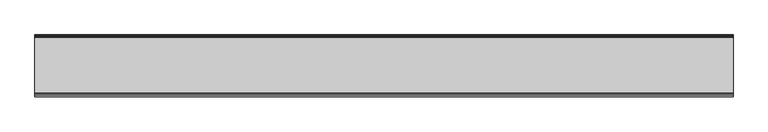
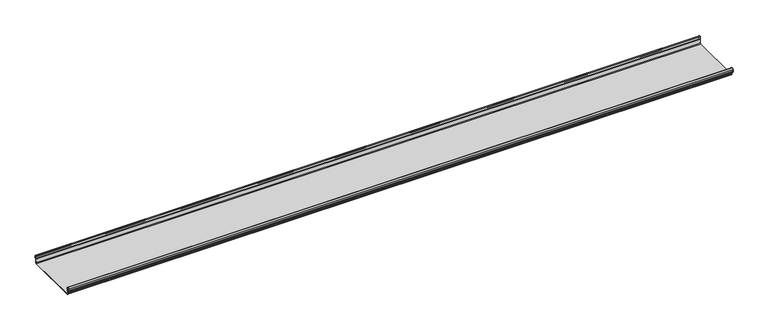
"""IFC4 building model written with IfcOpenShell, lengths in millimetres: beam geometry."""

from ifc_helpers import new_model, si_unit, frame, origin, place, context, project, spatial, polyline, circle_curve, source, transform, mapped, element, save
from ifc_brep_helpers import plane_surface, cylinder_surface, revolved_surface, advanced_brep


def beam_677cdd94(model_context):
    return source(origin(), model_context, "Body", "AdvancedBrep", [
        advanced_brep(
        [(2004.5060487, 174.5298471, 17.4730576), (2004.5060487, 169.9958217, 21.2486363), (2004.5060487, 165.4890072, 17.6093124), (2004.5060487, 163.0420077, 6.2503755), (2004.5060487, 164.7006671, 3.7959761), (2004.5060487, 165.8698319, 2.0849359), (2004.5060487, 164.3793103, -21.3247551), (2004.5060487, 160.6848586, -24.7896475), (2004.5060487, -159.5640942, -24.7896475), (2004.5060487, -163.2568715, -21.3207217), (2004.5060487, -164.7263748, 2.1632779), (2004.5060487, -164.0984471, 3.0966958), (2004.5060487, -161.8868093, 6.1624874), (2004.5060487, -162.770348, 17.3389905), (2004.5060487, -170.0, 24.0196704), (2004.5060487, -177.229652, 17.3389905), (2004.5060487, -178.1131907, 6.1624874), (2004.5060487, -175.9015529, 3.0966958), (2004.5060487, -175.2736252, 2.1632779), (2004.5060487, -175.6653397, -4.0966758), (2004.5060487, -174.6633838, -4.0966758), (2004.5060487, -174.255975, 2.4140875), (2004.5060487, -175.661391, 4.0675496), (2004.5060487, -177.1158116, 6.08368), (2004.5060487, -176.2261211, 17.3379999), (2004.5060487, -170.0, 23.0196704), (2004.5060487, -163.767144, 17.2589936), (2004.5060487, -162.8795452, 6.0037927), (2004.5060487, -164.338609, 4.0675496), (2004.5060487, -165.744025, 2.4140875), (2004.5060487, -164.2549195, -21.3831743), (2004.5060487, -159.5640942, -25.7896475), (2004.5060487, 160.6846135, -25.7896475), (2004.5060487, 165.3772895, -21.3882975), (2004.5060487, 166.868024, 2.0247376), (2004.5060487, 164.9644432, 4.7613501), (2004.5060487, 164.0277999, 6.0779003), (2004.5060487, 166.4434849, 17.2822335), (2004.5060487, 170.0063307, 20.2496221), (2004.5060487, 173.4803249, 17.6539317), (2004.5060487, 175.5075757, 6.5459412), (2004.5060487, 176.5074356, 6.7299959), (-2004.5060487, 174.5298471, 17.4730576), (-2004.5060487, 176.5074356, 6.7299959), (-2004.5060487, 175.5075757, 6.5459412), (-2004.5060487, 173.4803249, 17.6539317), (-2004.5060487, 170.0063307, 20.2496221), (-2004.5060487, 166.4434849, 17.2822335), (-2004.5060487, 164.0277999, 6.0779003), (-2004.5060487, 164.9644432, 4.7613501), (-2004.5060487, 166.868024, 2.0247376), (-2004.5060487, 165.3772895, -21.3882975), (-2004.5060487, 160.6846135, -25.7896475), (-2004.5060487, -159.5640942, -25.7896475), (-2004.5060487, -164.2549195, -21.3831743), (-2004.5060487, -165.744025, 2.4140875), (-2004.5060487, -164.338609, 4.0675496), (-2004.5060487, -162.8795452, 6.0037927), (-2004.5060487, -163.767144, 17.2589936), (-2004.5060487, -170.0, 23.0196704), (-2004.5060487, -176.2261211, 17.3379999), (-2004.5060487, -177.1158116, 6.08368), (-2004.5060487, -175.661391, 4.0675496), (-2004.5060487, -174.255975, 2.4140875), (-2004.5060487, -174.6633838, -4.0966758), (-2004.5060487, -175.6653397, -4.0966758), (-2004.5060487, -175.2736252, 2.1632779), (-2004.5060487, -175.9015529, 3.0966958), (-2004.5060487, -178.1066021, 6.2458324), (-2004.5060487, -177.229652, 17.3389905), (-2004.5060487, -170.0, 24.0196704), (-2004.5060487, -162.770348, 17.3389905), (-2004.5060487, -161.8868093, 6.1624874), (-2004.5060487, -164.0984471, 3.0966958), (-2004.5060487, -164.7263748, 2.1632779), (-2004.5060487, -163.2568715, -21.3207217), (-2004.5060487, -159.5640942, -24.7896475), (-2004.5060487, 160.6848586, -24.7896475), (-2004.5060487, 164.3793103, -21.3247551), (-2004.5060487, 165.8698319, 2.0849359), (-2004.5060487, 164.7006671, 3.7959761), (-2004.5060487, 163.0420077, 6.2503755), (-2004.5060487, 165.4890072, 17.6093124), (-2004.5060487, 169.9958217, 21.2486363)],
        [
            (0, 1, circle_curve(frame((2004.5060487, 169.9958217, 16.6384317), z_axis=(1.0, 0.0, 0.0), x_axis=(0.0, 1.0, 0.0)), 4.6102046)),
            (1, 2, circle_curve(frame((2004.5060487, 169.9958217, 16.6384317), z_axis=(1.0, 0.0, 0.0), x_axis=(0.0, 0.2105938444020083, 0.9775736456656259)), 4.6102046)),
            (2, 3),
            (3, 4, circle_curve(frame((2004.5060487, 165.4262002, 6.073937), z_axis=(1.0, 0.0, 0.0), x_axis=(0.0, -0.9528378408797884, 0.30347989881958104)), 2.3907121)),
            (4, 5, circle_curve(frame((2004.5060487, 164.1897695, 2.1919074), z_axis=(-1.0, 0.0, 0.0), x_axis=(0.0, 0.06354246328302078, 0.9979791357337717)), 1.6834645)),
            (5, 6),
            (6, 7, circle_curve(frame((2004.5060487, 160.6867875, -21.089648), z_axis=(-1.0, 0.0, 0.0), x_axis=(0.0, 0.9999998641088232, -0.0005213274739325337)), 3.7)),
            (7, 8),
            (8, 9, circle_curve(frame((2004.5060487, -159.5640942, -21.0896475), z_axis=(-1.0, 0.0, 0.0), x_axis=(0.0, 0.062452508687223206, -0.9980479368039755)), 3.7)),
            (9, 10),
            (10, 11, circle_curve(frame((2004.5060487, -163.8044049, 2.2209698), z_axis=(-1.0, 0.0, 0.0), x_axis=(0.0, -0.9479881328261025, -0.31830567073314897)), 0.9237732)),
            (11, 12, circle_curve(frame((2004.5060487, -164.7984694, 5.9323112), z_axis=(1.0, 0.0, 0.0), x_axis=(0.0, 0.07880737243916666, -0.9968898625471294)), 2.9207441)),
            (12, 13),
            (13, 14, circle_curve(frame((2004.5060487, -170.0, 16.7674631), z_axis=(1.0, 0.0, 0.0), x_axis=(0.0, 1.0, 0.0)), 7.2522073)),
            (14, 15, circle_curve(frame((2004.5060487, -170.0, 16.7674631), z_axis=(1.0, 0.0, 0.0), x_axis=(0.0, 0.07880737243912425, 0.9968898625471327)), 7.2522073)),
            (15, 16),
            (16, 17, circle_curve(frame((2004.5060487, -175.2001089, 5.9344165), z_axis=(1.0, 0.0, 0.0), x_axis=(0.0, -0.9707819351134729, 0.2399634023290655)), 2.9231288)),
            (17, 18, circle_curve(frame((2004.5060487, -176.1025472, 2.2835649), z_axis=(-1.0, 0.0, 0.0), x_axis=(0.0, 0.14360843272178178, 0.9896345881441257)), 0.8376041)),
            (18, 19),
            (19, 20, circle_curve(frame((2004.5060487, -175.1643617, -4.0966758), z_axis=(1.0, 0.0, 0.0), x_axis=(0.0, 0.0, -1.0)), 0.5009779)),
            (20, 21),
            (21, 22, circle_curve(frame((2004.5060487, -176.1062911, 2.2653702), z_axis=(1.0, 0.0, 0.0), x_axis=(0.0, 0.9708537722163966, -0.23967259537375799)), 1.856283)),
            (22, 23, circle_curve(frame((2004.5060487, -175.2010412, 5.9323112), z_axis=(-1.0, 0.0, 0.0), x_axis=(0.0, -0.07880737243914376, -0.9968898625471312)), 1.9207441)),
            (23, 24),
            (24, 25, circle_curve(frame((2004.5060487, -170.0770494, 16.8518958), z_axis=(-1.0, 0.0, 0.0), x_axis=(0.0, -0.9999219808421378, 0.012491286112139365)), 6.1682558)),
            (25, 26, circle_curve(frame((2004.5060487, -170.0791743, 16.6817991), z_axis=(-1.0, 0.0, 0.0), x_axis=(0.0, -0.09106361391821856, 0.9958450774192508)), 6.3383658)),
            (26, 27),
            (27, 28, circle_curve(frame((2004.5060487, -164.70299, 5.8599936), z_axis=(-1.0, 0.0, 0.0), x_axis=(0.0, 0.9799562955839813, 0.19921259685401593)), 1.8291061)),
            (28, 29, circle_curve(frame((2004.5060487, -163.9886548, 2.3460727), z_axis=(1.0, 0.0, 0.0), x_axis=(0.0, 0.03871763325448635, 0.9992501913310655)), 1.7566874)),
            (29, 30),
            (30, 31, circle_curve(frame((2004.5060487, -159.5640942, -21.0896475), z_axis=(1.0, 0.0, 0.0), x_axis=(0.0, -1.0, 0.0)), 4.7)),
            (31, 32),
            (32, 33, circle_curve(frame((2004.5060487, 160.6846135, -21.0873301), z_axis=(1.0, 0.0, 0.0), x_axis=(0.0, -0.06400407594283139, -0.997949637137418)), 4.7023174)),
            (33, 34),
            (34, 35, circle_curve(frame((2004.5060487, 164.1939121, 2.1950013), z_axis=(1.0, 0.0, 0.0), x_axis=(0.0, 0.9577619201002135, -0.2875623487279797)), 2.6795268)),
            (35, 36, circle_curve(frame((2004.5060487, 165.0972859, 5.8473161), z_axis=(-1.0, 0.0, 0.0), x_axis=(0.0, -0.210759855052358, -0.9775378680635902)), 1.094061)),
            (36, 37),
            (37, 38, circle_curve(frame((2004.5060487, 170.0063307, 16.627032), z_axis=(-1.0, 0.0, 0.0), x_axis=(0.0, -1.0, 0.0)), 3.6225901)),
            (38, 39, circle_curve(frame((2004.5060487, 170.0063307, 16.627032), z_axis=(-1.0, 0.0, 0.0), x_axis=(0.0, -0.2834711363957483, 0.9589807687490417)), 3.6225901)),
            (39, 40),
            (40, 41, circle_curve(frame((2004.5060487, 176.0075057, 6.6379685), z_axis=(1.0, 0.0, 0.0), x_axis=(0.0, 0.18103878268247353, -0.9834759575937014)), 0.5083296)),
            (41, 0),
            (42, 43),
            (43, 44, circle_curve(frame((-2004.5060487, 176.0075057, 6.6379685), z_axis=(-1.0, 0.0, 0.0), x_axis=(0.0, 0.18103878268247353, -0.9834759575937014)), 0.5083296)),
            (44, 45),
            (45, 46, circle_curve(frame((-2004.5060487, 170.0063307, 16.627032), z_axis=(1.0, 0.0, 0.0), x_axis=(0.0, -0.2834711363957483, 0.9589807687490417)), 3.6225901)),
            (46, 47, circle_curve(frame((-2004.5060487, 170.0063307, 16.627032), z_axis=(1.0, 0.0, 0.0), x_axis=(0.0, -1.0, 0.0)), 3.6225901)),
            (47, 48),
            (48, 49, circle_curve(frame((-2004.5060487, 165.0972859, 5.8473161), z_axis=(1.0, 0.0, 0.0), x_axis=(0.0, -0.210759855052358, -0.9775378680635902)), 1.094061)),
            (49, 50, circle_curve(frame((-2004.5060487, 164.1939121, 2.1950013), z_axis=(-1.0, 0.0, 0.0), x_axis=(0.0, 0.9577619201002135, -0.2875623487279797)), 2.6795268)),
            (50, 51),
            (51, 52, circle_curve(frame((-2004.5060487, 160.6846135, -21.0873301), z_axis=(-1.0, 0.0, 0.0), x_axis=(0.0, -0.06400407594283139, -0.997949637137418)), 4.7023174)),
            (52, 53),
            (53, 54, circle_curve(frame((-2004.5060487, -159.5640942, -21.0896475), z_axis=(-1.0, 0.0, 0.0), x_axis=(0.0, -1.0, 0.0)), 4.7)),
            (54, 55),
            (55, 56, circle_curve(frame((-2004.5060487, -163.9886548, 2.3460727), z_axis=(-1.0, 0.0, 0.0), x_axis=(0.0, 0.03871763325448635, 0.9992501913310655)), 1.7566874)),
            (56, 57, circle_curve(frame((-2004.5060487, -164.70299, 5.8599936), z_axis=(1.0, 0.0, 0.0), x_axis=(0.0, 0.9799562955839813, 0.19921259685401593)), 1.8291061)),
            (57, 58),
            (58, 59, circle_curve(frame((-2004.5060487, -170.0791743, 16.6817991), z_axis=(1.0, 0.0, 0.0), x_axis=(0.0, -0.09106361391821856, 0.9958450774192508)), 6.3383658)),
            (59, 60, circle_curve(frame((-2004.5060487, -170.0770494, 16.8518958), z_axis=(1.0, 0.0, 0.0), x_axis=(0.0, -0.9999219808421378, 0.012491286112139365)), 6.1682558)),
            (60, 61),
            (61, 62, circle_curve(frame((-2004.5060487, -175.2010412, 5.9323112), z_axis=(1.0, 0.0, 0.0), x_axis=(0.0, -0.07880737243914376, -0.9968898625471312)), 1.9207441)),
            (62, 63, circle_curve(frame((-2004.5060487, -176.1062911, 2.2653702), z_axis=(-1.0, 0.0, 0.0), x_axis=(0.0, 0.9708537722163966, -0.23967259537375799)), 1.856283)),
            (63, 64),
            (64, 65, circle_curve(frame((-2004.5060487, -175.1643617, -4.0966758), z_axis=(-1.0, 0.0, 0.0), x_axis=(0.0, 0.0, -1.0)), 0.5009779)),
            (65, 66),
            (66, 67, circle_curve(frame((-2004.5060487, -176.1025472, 2.2835649), z_axis=(1.0, 0.0, 0.0), x_axis=(0.0, 0.14360843272178178, 0.9896345881441257)), 0.8376041)),
            (67, 68, circle_curve(frame((-2004.5060487, -175.2001089, 5.9344165), z_axis=(-1.0, 0.0, 0.0), x_axis=(0.0, -0.9707819351134729, 0.2399634023290655)), 2.9231288)),
            (68, 69),
            (69, 70, circle_curve(frame((-2004.5060487, -170.0, 16.7674631), z_axis=(-1.0, 0.0, 0.0), x_axis=(0.0, 0.07880737243912425, 0.9968898625471327)), 7.2522073)),
            (70, 71, circle_curve(frame((-2004.5060487, -170.0, 16.7674631), z_axis=(-1.0, 0.0, 0.0), x_axis=(0.0, 1.0, 0.0)), 7.2522073)),
            (71, 72),
            (72, 73, circle_curve(frame((-2004.5060487, -164.7984694, 5.9323112), z_axis=(-1.0, 0.0, 0.0), x_axis=(0.0, 0.07880737243916666, -0.9968898625471294)), 2.9207441)),
            (73, 74, circle_curve(frame((-2004.5060487, -163.8044049, 2.2209698), z_axis=(1.0, 0.0, 0.0), x_axis=(0.0, -0.9479881328261025, -0.31830567073314897)), 0.9237732)),
            (74, 75),
            (75, 76, circle_curve(frame((-2004.5060487, -159.5640942, -21.0896475), z_axis=(1.0, 0.0, 0.0), x_axis=(0.0, 0.062452508687223206, -0.9980479368039755)), 3.7)),
            (76, 77),
            (77, 78, circle_curve(frame((-2004.5060487, 160.6867875, -21.089648), z_axis=(1.0, 0.0, 0.0), x_axis=(0.0, 0.9999998641088232, -0.0005213274739325337)), 3.7)),
            (78, 79),
            (79, 80, circle_curve(frame((-2004.5060487, 164.1897695, 2.1919074), z_axis=(1.0, 0.0, 0.0), x_axis=(0.0, 0.06354246328302078, 0.9979791357337717)), 1.6834645)),
            (80, 81, circle_curve(frame((-2004.5060487, 165.4262002, 6.073937), z_axis=(-1.0, 0.0, 0.0), x_axis=(0.0, -0.9528378408797884, 0.30347989881958104)), 2.3907121)),
            (81, 82),
            (82, 83, circle_curve(frame((-2004.5060487, 169.9958217, 16.6384317), z_axis=(-1.0, 0.0, 0.0), x_axis=(0.0, 0.2105938444020083, 0.9775736456656259)), 4.6102046)),
            (83, 42, circle_curve(frame((-2004.5060487, 169.9958217, 16.6384317), z_axis=(-1.0, 0.0, 0.0), x_axis=(0.0, 1.0, 0.0)), 4.6102046)),
            (42, 0),
            (41, 43),
            (40, 44),
            (39, 45),
            (38, 46),
            (37, 47),
            (36, 48),
            (35, 49),
            (34, 50),
            (33, 51),
            (32, 52),
            (31, 53),
            (30, 54),
            (29, 55),
            (28, 56),
            (27, 57),
            (26, 58),
            (25, 59),
            (24, 60),
            (23, 61),
            (22, 62),
            (21, 63),
            (20, 64),
            (19, 65),
            (18, 66),
            (17, 67),
            (16, 68),
            (15, 69),
            (14, 70),
            (13, 71),
            (12, 72),
            (11, 73),
            (10, 74),
            (9, 75),
            (8, 76),
            (7, 77),
            (6, 78),
            (5, 79),
            (4, 80),
            (3, 81),
            (2, 82),
            (1, 83),
        ],
        [
            plane_surface(frame((2004.5060487, 176.5074356, 6.7299959), z_axis=(1.0000000000000002, 0.0, 0.0), x_axis=(0.0, -0.18103878268248824, 0.9834759575936989))),
            plane_surface(frame((-2004.5060487, 176.5074356, 6.7299959), z_axis=(-1.0000000000000002, 0.0, 0.0), x_axis=(0.0, 0.18103878268248824, -0.9834759575936989))),
            plane_surface(frame((2004.5060487, 175.5186413, 12.1015267), z_axis=(0.0, 0.9834759575937931, 0.18103878268197598), x_axis=(0.0, 0.18103878268197598, -0.9834759575937931))),
            cylinder_surface(frame((2004.5060487, 176.0075057, 6.6379685), z_axis=(-1.0, 0.0, 0.0), x_axis=(0.0, 0.18103878268247353, -0.9834759575937014)), 0.5083296),
            plane_surface(frame((2004.5060487, 174.4939503, 12.0999365), z_axis=(0.0, -0.9837509798366516, -0.17953832368168063), x_axis=(0.0, -0.17953832368168063, 0.9837509798366516))),
            revolved_surface(polyline([(-2004.5060487, 168.979430967657, 20.101026238960667), (2004.5060487, 168.979430967657, 20.101026238960667)]), (2004.5060487, 170.0063307, 16.627032), (-1.0, 0.0, 0.0)),
            revolved_surface(polyline([(-2004.5060487, 166.3837406, 16.627032), (2004.5060487, 166.3837406, 16.627032)]), (2004.5060487, 170.0063307, 16.627032), (-1.0, 0.0, 0.0)),
            plane_surface(frame((2004.5060487, 165.2356424, 11.6800669), z_axis=(0.0, 0.9775378680634891, -0.2107598550528272), x_axis=(0.0, -0.2107598550528272, -0.9775378680634891))),
            revolved_surface(polyline([(-2004.5060487, 164.86670176222157, 4.77783004252848), (2004.5060487, 164.86670176222157, 4.77783004252848)]), (2004.5060487, 165.0972859, 5.8473161), (-1.0, 0.0, 0.0)),
            cylinder_surface(frame((2004.5060487, 164.1939121, 2.1950013), z_axis=(-1.0, 0.0, 0.0), x_axis=(0.0, 0.9577619201002135, -0.2875623487279797)), 2.6795268),
            plane_surface(frame((2004.5060487, 166.1226567, -9.68178), z_axis=(0.0, 0.9979791357337514, -0.06354246328334037), x_axis=(0.0, -0.06354246328334037, -0.9979791357337514))),
            cylinder_surface(frame((2004.5060487, 160.6846135, -21.0873301), z_axis=(-1.0, 0.0, 0.0), x_axis=(0.0, -0.06400407594283139, -0.997949637137418)), 4.7023174),
            plane_surface(frame((2004.5060487, 0.5602597, -25.7896475), z_axis=(0.0, 0.0, -1.0), x_axis=(0.0, -1.0, 0.0))),
            cylinder_surface(frame((2004.5060487, -159.5640942, -21.0896475), z_axis=(-1.0, 0.0, 0.0), x_axis=(0.0, -1.0, 0.0)), 4.7),
            plane_surface(frame((2004.5060487, -164.9994722, -9.4845434), z_axis=(0.0, -0.99804793680396, -0.06245250868747398), x_axis=(0.0, -0.06245250868747398, 0.99804793680396))),
            cylinder_surface(frame((2004.5060487, -163.9886548, 2.3460727), z_axis=(-1.0, 0.0, 0.0), x_axis=(0.0, 0.03871763325448635, 0.9992501913310655)), 1.7566874),
            revolved_surface(polyline([(-2004.5060487, -162.91054596201394, 6.224374576102521), (2004.5060487, -162.91054596201394, 6.224374576102521)]), (2004.5060487, -164.70299, 5.8599936), (-1.0, 0.0, 0.0)),
            plane_surface(frame((2004.5060487, -163.3233446, 11.6313931), z_axis=(0.0, -0.9969048840807634, -0.07861712342689589), x_axis=(0.0, -0.07861712342689589, 0.9969048840807634))),
            revolved_surface(polyline([(-2004.5060487, -170.65636879608365, 22.99382948081253), (2004.5060487, -170.65636879608365, 22.99382948081253)]), (2004.5060487, -170.0791743, 16.6817991), (-1.0, 0.0, 0.0)),
            revolved_surface(polyline([(-2004.5060487, -176.244823957877, 16.928945248010663), (2004.5060487, -176.244823957877, 16.928945248010663)]), (2004.5060487, -170.0770494, 16.8518958), (-1.0, 0.0, 0.0)),
            plane_surface(frame((2004.5060487, -176.6709664, 11.71084), z_axis=(0.0, 0.9968898625470921, -0.07880737243963815), x_axis=(0.0, -0.07880737243963815, -0.9968898625470921))),
            revolved_surface(polyline([(-2004.5060487, -175.35240999564897, 4.017540878162787), (2004.5060487, -175.35240999564897, 4.017540878162787)]), (2004.5060487, -175.2010412, 5.9323112), (-1.0, 0.0, 0.0)),
            cylinder_surface(frame((2004.5060487, -176.1062911, 2.2653702), z_axis=(-1.0, 0.0, 0.0), x_axis=(0.0, 0.9708537722163966, -0.23967259537375799)), 1.856283),
            plane_surface(frame((2004.5060487, -174.4596794, -0.8412941), z_axis=(0.0, 0.9980479368039222, -0.06245250868807452), x_axis=(0.0, -0.06245250868807452, -0.9980479368039222))),
            cylinder_surface(frame((2004.5060487, -175.1643617, -4.0966758), z_axis=(-1.0, 0.0, 0.0), x_axis=(0.0, 0.0, -1.0)), 0.5009779),
            plane_surface(frame((2004.5060487, -175.4694824, -0.9666989), z_axis=(0.0, -0.9980479368040358, 0.06245250868626084), x_axis=(0.0, 0.06245250868626084, 0.9980479368040358))),
            revolved_surface(polyline([(-2004.5060487, -175.98226018795768, 3.112486888531331), (2004.5060487, -175.98226018795768, 3.112486888531331)]), (2004.5060487, -176.1025472, 2.2835649), (-1.0, 0.0, 0.0)),
            cylinder_surface(frame((2004.5060487, -175.2001089, 5.9344165), z_axis=(-1.0, 0.0, 0.0), x_axis=(0.0, -0.9707819351134729, 0.2399634023290655)), 2.9231288),
            plane_surface(frame((2004.5060487, -177.6714214, 11.7507389), z_axis=(0.0, -0.9968898625471735, 0.07880737243860966), x_axis=(0.0, 0.07880737243860966, 0.9968898625471735))),
            cylinder_surface(frame((2004.5060487, -170.0, 16.7674631), z_axis=(-1.0, 0.0, 0.0), x_axis=(0.0, 0.07880737243912425, 0.9968898625471327)), 7.2522073),
            cylinder_surface(frame((2004.5060487, -170.0, 16.7674631), z_axis=(-1.0, 0.0, 0.0), x_axis=(0.0, 1.0, 0.0)), 7.2522073),
            plane_surface(frame((2004.5060487, -162.3285786, 11.7507389), z_axis=(0.0, 0.9968898625471712, 0.07880737243863836), x_axis=(0.0, 0.07880737243863836, -0.9968898625471712))),
            cylinder_surface(frame((2004.5060487, -164.7984694, 5.9323112), z_axis=(-1.0, 0.0, 0.0), x_axis=(0.0, 0.07880737243916666, -0.9968898625471294)), 2.9207441),
            revolved_surface(polyline([(-2004.5060487, -164.6801309310228, 1.9269275519686928), (2004.5060487, -164.6801309310228, 1.9269275519686928)]), (2004.5060487, -163.8044049, 2.2209698), (-1.0, 0.0, 0.0)),
            plane_surface(frame((2004.5060487, -163.9916232, -9.5787219), z_axis=(0.0, 0.9980479368039906, 0.0624525086869835), x_axis=(0.0, 0.0624525086869835, -0.9980479368039906))),
            revolved_surface(polyline([(-2004.5060487, -159.33301991785729, -24.78242486617471), (2004.5060487, -159.33301991785729, -24.78242486617471)]), (2004.5060487, -159.5640942, -21.0896475), (-1.0, 0.0, 0.0)),
            plane_surface(frame((2004.5060487, 0.5603822, -24.7896475), z_axis=(0.0, 0.0, 1.0), x_axis=(0.0, 1.0, 0.0))),
            revolved_surface(polyline([(-2004.5060487, 164.38678699720265, -21.09157691165355), (2004.5060487, 164.38678699720265, -21.09157691165355)]), (2004.5060487, 160.6867875, -21.089648), (-1.0, 0.0, 0.0)),
            plane_surface(frame((2004.5060487, 165.1245711, -9.6199096), z_axis=(0.0, -0.9979791357337828, 0.06354246328284598), x_axis=(0.0, 0.06354246328284598, 0.9979791357337828))),
            revolved_surface(polyline([(-2004.5060487, 164.29674098117954, 3.871969846748486), (2004.5060487, 164.29674098117954, 3.871969846748486)]), (2004.5060487, 164.1897695, 2.1919074), (-1.0, 0.0, 0.0)),
            cylinder_surface(frame((2004.5060487, 165.4262002, 6.073937), z_axis=(-1.0, 0.0, 0.0), x_axis=(0.0, -0.9528378408797884, 0.30347989881958104)), 2.3907121),
            plane_surface(frame((2004.5060487, 164.2655075, 11.929844), z_axis=(0.0, -0.9775736456657296, 0.21059384440152715), x_axis=(0.0, 0.21059384440152715, 0.9775736456657296))),
            cylinder_surface(frame((2004.5060487, 169.9958217, 16.6384317), z_axis=(-1.0, 0.0, 0.0), x_axis=(0.0, 0.2105938444020083, 0.9775736456656259)), 4.6102046),
            cylinder_surface(frame((2004.5060487, 169.9958217, 16.6384317), z_axis=(-1.0, 0.0, 0.0), x_axis=(0.0, 1.0, 0.0)), 4.6102046),
        ],
        [
            (0, [[1, 2, 3, 4, 5, 6, 7, 8, 9, 10, 11, 12, 13, 14, 15, 16, 17, 18, 19, 20, 21, 22, 23, 24, 25, 26, 27, 28, 29, 30, 31, 32, 33, 34, 35, 36, 37, 38, 39, 40, 41, 42]]),
            (1, [[43, 44, 45, 46, 47, 48, 49, 50, 51, 52, 53, 54, 55, 56, 57, 58, 59, 60, 61, 62, 63, 64, 65, 66, 67, 68, 69, 70, 71, 72, 73, 74, 75, 76, 77, 78, 79, 80, 81, 82, 83, 84]]),
            (2, [[-43, 85, -42, 86]]),
            (3, [[-44, -86, -41, 87]]),
            (4, [[-45, -87, -40, 88]]),
            (5, [[-46, -88, -39, 89]]),
            (6, [[-47, -89, -38, 90]]),
            (7, [[-48, -90, -37, 91]]),
            (8, [[-49, -91, -36, 92]]),
            (9, [[-50, -92, -35, 93]]),
            (10, [[-51, -93, -34, 94]]),
            (11, [[-52, -94, -33, 95]]),
            (12, [[-53, -95, -32, 96]]),
            (13, [[-54, -96, -31, 97]]),
            (14, [[-55, -97, -30, 98]]),
            (15, [[-56, -98, -29, 99]]),
            (16, [[-57, -99, -28, 100]]),
            (17, [[-58, -100, -27, 101]]),
            (18, [[-59, -101, -26, 102]]),
            (19, [[-60, -102, -25, 103]]),
            (20, [[-61, -103, -24, 104]]),
            (21, [[-62, -104, -23, 105]]),
            (22, [[-63, -105, -22, 106]]),
            (23, [[-64, -106, -21, 107]]),
            (24, [[-65, -107, -20, 108]]),
            (25, [[-66, -108, -19, 109]]),
            (26, [[-67, -109, -18, 110]]),
            (27, [[-68, -110, -17, 111]]),
            (28, [[-69, -111, -16, 112]]),
            (29, [[-70, -112, -15, 113]]),
            (30, [[-71, -113, -14, 114]]),
            (31, [[-72, -114, -13, 115]]),
            (32, [[-73, -115, -12, 116]]),
            (33, [[-74, -116, -11, 117]]),
            (34, [[-75, -117, -10, 118]]),
            (35, [[-76, -118, -9, 119]]),
            (36, [[-77, -119, -8, 120]]),
            (37, [[-78, -120, -7, 121]]),
            (38, [[-79, -121, -6, 122]]),
            (39, [[-80, -122, -5, 123]]),
            (40, [[-81, -123, -4, 124]]),
            (41, [[-82, -124, -3, 125]]),
            (42, [[-83, -125, -2, 126]]),
            (43, [[-84, -126, -1, -85]]),
        ],
    ),
    ])


if __name__ == "__main__":
    model = new_model("IFC4")
    model_context = context("Model", 3, world=origin())
    ifc_project = project(units=[si_unit("LENGTHUNIT", "METRE", prefix="MILLI")], contexts=[model_context])
    site = spatial("IfcSite", under=ifc_project)
    building = spatial("IfcBuilding", under=site)
    placement = place(None, origin())
    beam_shape = beam_677cdd94(model_context)
    element("IfcBeam", 1, at=placement, inside=building, context=model_context, shape_type="MappedRepresentation", body=[
        mapped(beam_shape, transform((0.0, 0.0, 0.0), x_axis=(1.0, 0.0, 0.0), y_axis=(0.0, 1.0, 0.0), z_axis=(0.0, 0.0, 1.0))),
    ])
    save(model, "model.ifc")
